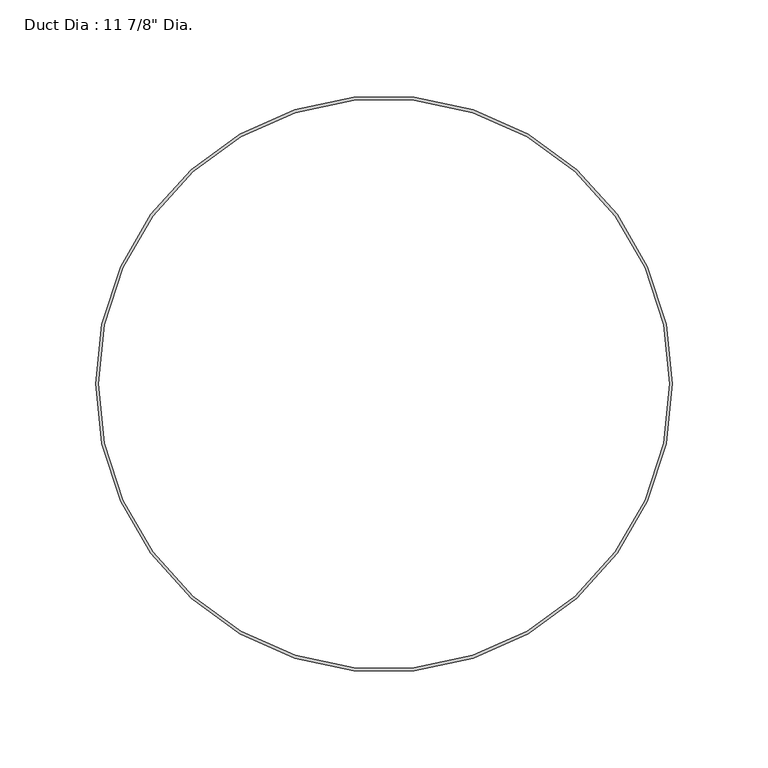
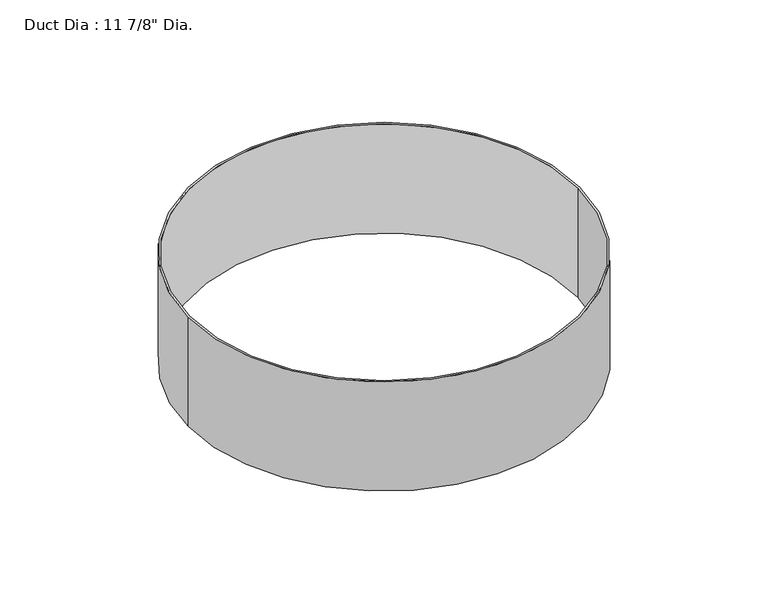
"""IFC4 building model written with IfcOpenShell, lengths in millimetres: proxy geometry."""

from ifc_helpers import new_model, si_unit, point, origin, origin_with_axes, origin_2d, place, context, project, spatial, circle_curve, trimmed, segment, composite_curve, outline, extrude, source, transform, mapped, element, save


def proxy_77503712(model_context):
    return source(origin(), model_context, "Body", "SweptSolid", [
        extrude(outline(composite_curve([segment(trimmed(circle_curve(origin_2d(), 150.8125), [point((-150.8125, 0.0))], [point((150.8125, 0.0))], False, "CARTESIAN"), True, "CONTINUOUS"), segment(trimmed(circle_curve(origin_2d(), 150.8125), [point((150.8125, 0.0))], [point((-150.8125, 0.0))], False, "CARTESIAN"), True, "CONTINUOUS")], self_intersect=False), holes=[composite_curve([segment(trimmed(circle_curve(origin_2d(), 149.225), [point((-149.225, 0.0))], [point((149.225, 0.0))], True, "CARTESIAN"), True, "CONTINUOUS"), segment(trimmed(circle_curve(origin_2d(), 149.225), [point((149.225, 0.0))], [point((-149.225, 0.0))], True, "CARTESIAN"), True, "CONTINUOUS")], self_intersect=False)]), origin_with_axes(), (0.0, 0.0, 1.0), 88.9),
    ])


if __name__ == "__main__":
    model = new_model("IFC4")
    model_context = context("Model", 3, world=origin())
    ifc_project = project(units=[si_unit("LENGTHUNIT", "METRE", prefix="MILLI")], contexts=[model_context])
    site = spatial("IfcSite", under=ifc_project)
    building = spatial("IfcBuilding", under=site)
    placement = place(None, origin())
    proxy_shape = proxy_77503712(model_context)
    element("IfcBuildingElementProxy", 1, Name="Duct Dia : 11 7/8\" Dia.", ObjectType="Duct Dia : 11 7/8\" Dia.", at=placement, inside=building, context=model_context, shape_type="MappedRepresentation", body=[
        mapped(proxy_shape, transform((0.0, 0.0, 0.0), x_axis=(1.0, 0.0, 0.0), y_axis=(0.0, 1.0, 0.0), z_axis=(0.0, 0.0, 1.0))),
    ])
    save(model, "model.ifc")
